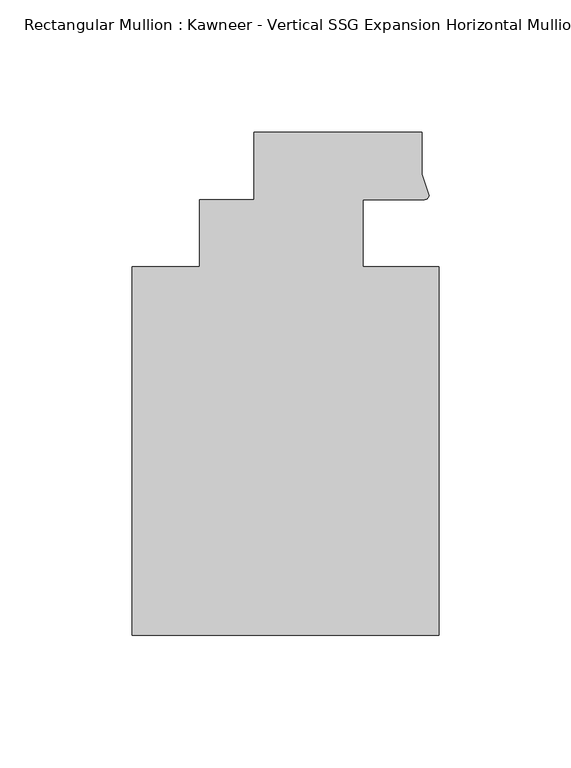
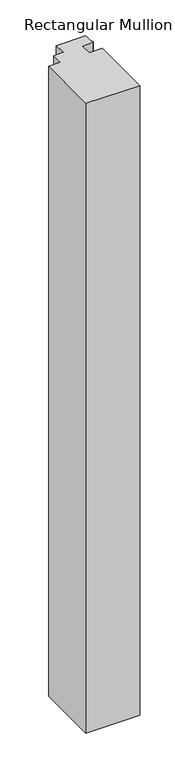
"""IFC4 building model written with IfcOpenShell, lengths in millimetres: member geometry."""

from ifc_helpers import new_model, si_unit, point, frame, frame_2d, origin, place, context, project, spatial, polyline, circle_curve, trimmed, segment, composite_curve, outline, extrude, source, transform, mapped, element, save


def member_26910636(model_context):
    return source(origin(), model_context, "Body", "SweptSolid", [
        extrude(outline(composite_curve([segment(polyline([(48.2997293, 12.7000881), (25.0401592, 12.7000881), (25.0401592, -12.7), (53.615046, -12.7), (53.615046, -151.892), (-62.2957636, -151.892), (-62.2957636, -12.7), (-36.8958768, -12.7), (-36.8958768, 12.7), (-16.234954, 12.7), (-16.234954, 38.1), (47.265046, 38.1), (47.265046, 22.2250977), (49.9159011, 14.2884292)]), True, "CONTINUOUS"), segment(trimmed(circle_curve(frame_2d((48.2162832, 14.401412)), 1.703369), [point((49.9159011, 14.2884292))], [point((48.2997293, 12.7000881))], False, "CARTESIAN"), True, "CONTINUOUS")], self_intersect=False)), frame((0.0, 0.0, -1433.8081727), z_axis=(0.0, 0.0, 1.0), x_axis=(1.0, 0.0, 0.0)), (0.0, 0.0, 1.0), 1433.8081727),
    ])


if __name__ == "__main__":
    model = new_model("IFC4")
    model_context = context("Model", 3, world=origin())
    ifc_project = project(units=[si_unit("LENGTHUNIT", "METRE", prefix="MILLI")], contexts=[model_context])
    site = spatial("IfcSite", under=ifc_project)
    building = spatial("IfcBuilding", under=site)
    placement = place(None, origin())
    member_shape = member_26910636(model_context)
    element("IfcMember", 1, ObjectType="Rectangular Mullion : Kawneer - Vertical SSG Expansion Horizontal Mullion - 7 1/2\"", at=placement, inside=building, context=model_context, shape_type="MappedRepresentation", body=[
        mapped(member_shape, transform((0.0, 0.0, 0.0), x_axis=(1.0, 0.0, 0.0), y_axis=(0.0, 1.0, 0.0), z_axis=(0.0, 0.0, 1.0))),
    ])
    save(model, "model.ifc")
